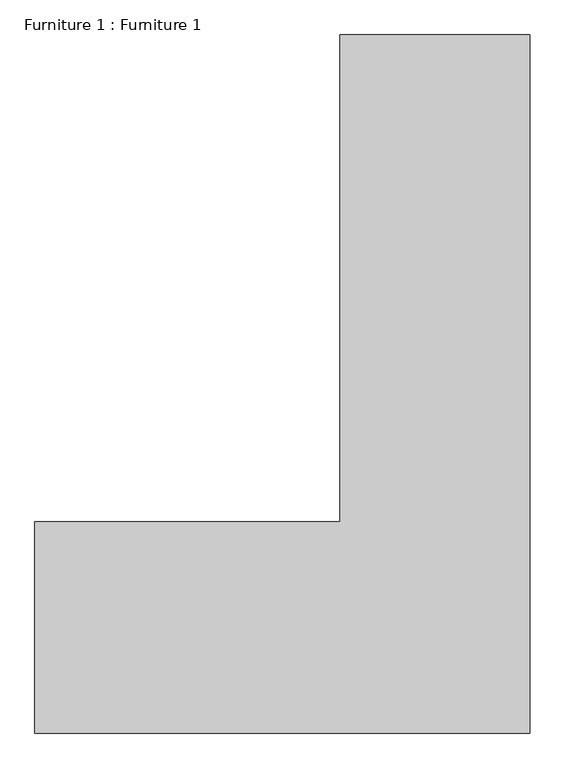
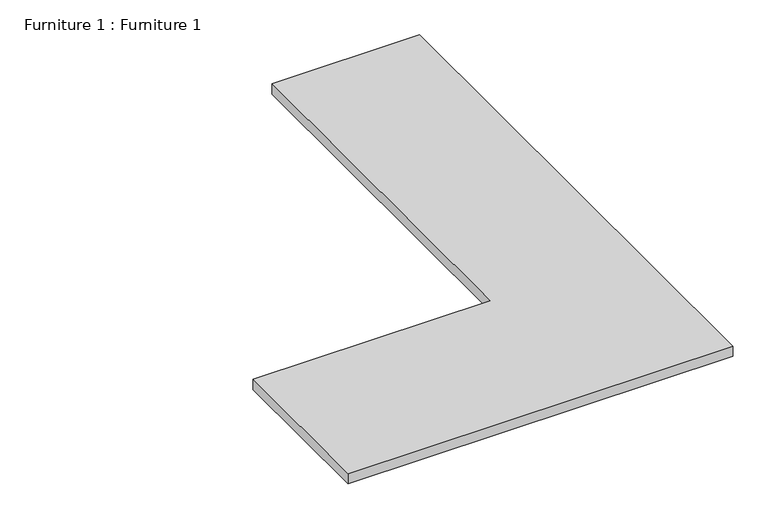
"""IFC4 building model written with IfcOpenShell, lengths in millimetres: furniture geometry, Furniture 1 : Furniture 1."""

from ifc_helpers import new_model, si_unit, frame, origin, place, context, project, spatial, polyline, outline, extrude, source, transform, mapped, element, save


def furniture_1_furniture_1_8aa3a65e(model_context):
    return source(origin(), model_context, "Body", "SweptSolid", [
        extrude(outline(polyline([(3205.6973319, 2883.0449152), (4290.975631, 2883.0449152), (4290.975631, 4611.8397997), (4965.40801, 4611.8397997), (4965.40801, 2131.8397997), (3205.6973319, 2131.8397997), (3205.6973319, 2883.0449152)])), frame((0.0, 0.0, 860.0), z_axis=(0.0, 0.0, 1.0), x_axis=(1.0, 0.0, 0.0)), (0.0, 0.0, 1.0), 50.0),
    ])


if __name__ == "__main__":
    model = new_model("IFC4")
    model_context = context("Model", 3, world=origin())
    ifc_project = project(units=[si_unit("LENGTHUNIT", "METRE", prefix="MILLI")], contexts=[model_context])
    site = spatial("IfcSite", under=ifc_project)
    building = spatial("IfcBuilding", under=site)
    placement = place(None, origin())
    furniture_1_furniture_1_shape = furniture_1_furniture_1_8aa3a65e(model_context)
    element("IfcFurniture", 1, ObjectType="Furniture 1 : Furniture 1", at=placement, inside=building, context=model_context, shape_type="MappedRepresentation", body=[
        mapped(furniture_1_furniture_1_shape, transform((0.0, 0.0, 0.0), x_axis=(1.0, 0.0, 0.0), y_axis=(0.0, 1.0, 0.0), z_axis=(0.0, 0.0, 1.0))),
    ])
    save(model, "model.ifc")
